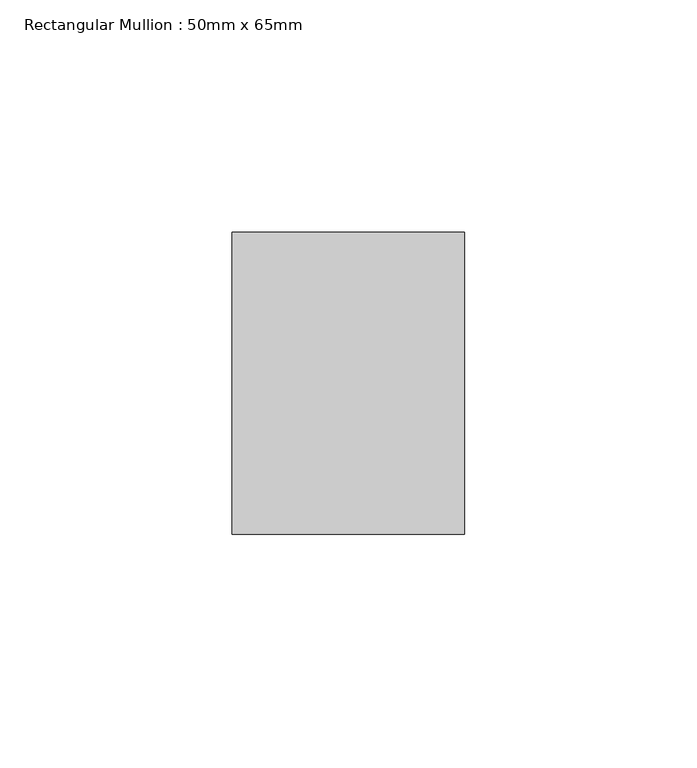
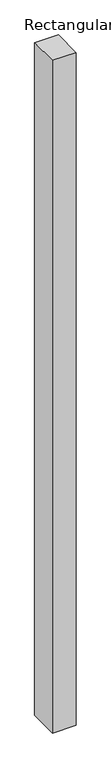
"""IFC4 building model written with IfcOpenShell, lengths in millimetres: member geometry, Rectangular Mullion : 50mm x 65mm."""

from ifc_helpers import new_model, si_unit, origin, place, context, project, spatial, faceted_brep, source, transform, mapped, element, save


def rectangular_mullion_50mm_x_65mm_2f6a7ea8(model_context):
    return source(origin(), model_context, "Body", "Brep", [
        faceted_brep([(-25.0, 32.5, -0.0443373), (25.0, 32.5, -0.044337), (25.0, 32.5, -1499.9019531), (-25.0, 32.5, -1499.9019527), (-25.0, -32.5, 0.044337), (-25.0, -32.5, -1500.0981313), (25.0, -32.5, 0.0443373), (25.0, -32.5, -1500.0981316)], [[[0, 1, 2, 3]], [[4, 0, 3, 5]], [[6, 4, 5, 7]], [[1, 6, 7, 2]], [[1, 0, 4, 6]], [[2, 7, 5, 3]]]),
    ])


if __name__ == "__main__":
    model = new_model("IFC4")
    model_context = context("Model", 3, world=origin())
    ifc_project = project(units=[si_unit("LENGTHUNIT", "METRE", prefix="MILLI")], contexts=[model_context])
    site = spatial("IfcSite", under=ifc_project)
    building = spatial("IfcBuilding", under=site)
    placement = place(None, origin())
    rectangular_mullion_50mm_x_65mm_shape = rectangular_mullion_50mm_x_65mm_2f6a7ea8(model_context)
    element("IfcMember", 1, ObjectType="Rectangular Mullion : 50mm x 65mm", at=placement, inside=building, context=model_context, shape_type="MappedRepresentation", body=[
        mapped(rectangular_mullion_50mm_x_65mm_shape, transform((0.0, 0.0, 0.0), x_axis=(1.0, 0.0, 0.0), y_axis=(0.0, 1.0, 0.0), z_axis=(0.0, 0.0, 1.0))),
    ])
    save(model, "model.ifc")
